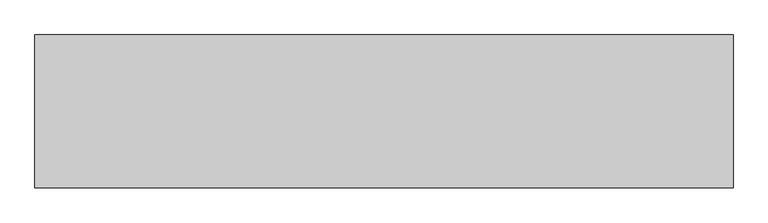
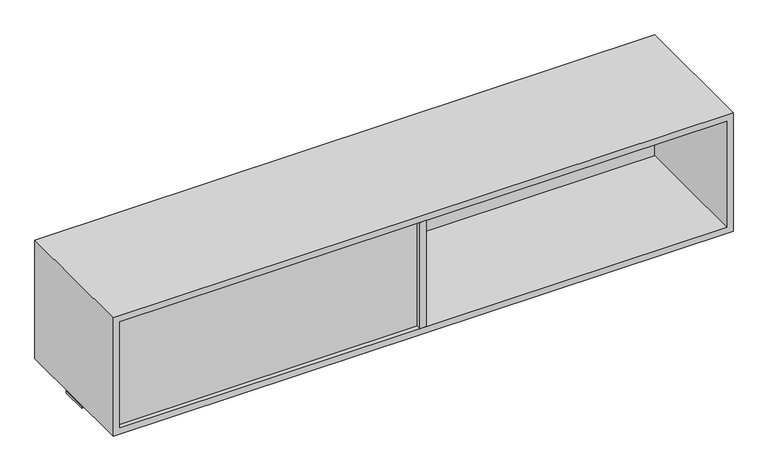
"""IFC4 building model written with IfcOpenShell, lengths in millimetres: furniture geometry."""

from ifc_helpers import new_model, si_unit, frame, origin, place, context, project, spatial, polyline, outline, extrude, source, transform, mapped, element, save


def furniture_f6a8623b(model_context):
    return source(origin(), model_context, "Body", "SweptSolid", [
        extrude(outline(polyline([(466.852, -241.2273724), (447.548, -241.2273724), (447.548, 158.8226276), (466.852, 158.8226276), (466.852, -241.2273724)])), frame((0.0, 0.0, 900.557), z_axis=(0.0, 0.0, 1.0), x_axis=(1.0, 0.0, 0.0)), (0.0, 0.0, 1.0), 330.5048),
        extrude(outline(polyline([(1371.6, -2.0863724), (1371.6, -80.3183724), (-457.2, -80.3183724), (-457.2, -2.0863724), (1371.6, -2.0863724)])), frame((0.0, 0.0, 870.966), z_axis=(0.0, 0.0, 1.0), x_axis=(1.0, 0.0, 0.0)), (0.0, 0.0, 1.0), 6.858),
        extrude(outline(polyline([(447.548, -208.5832924), (447.548, -227.8872924), (-437.896, -227.8872924), (-437.896, -208.5832924), (447.548, -208.5832924)])), frame((0.0, 0.0, 900.557), z_axis=(0.0, 0.0, 1.0), x_axis=(1.0, 0.0, 0.0)), (0.0, 0.0, 1.0), 330.5048),
        extrude(outline(polyline([(1352.296, 145.5282676), (1352.296, 126.2242676), (466.852, 126.2242676), (466.852, 145.5282676), (1352.296, 145.5282676)])), frame((0.0, 0.0, 900.557), z_axis=(0.0, 0.0, 1.0), x_axis=(1.0, 0.0, 0.0)), (0.0, 0.0, 1.0), 330.5048),
        extrude(outline(polyline([(1250.3658, -457.2), (881.253, -457.2), (881.253, 1371.6), (1250.3658, 1371.6), (1250.3658, -457.2)]), holes=[polyline([(1231.0618, -437.896), (1231.0618, 1352.296), (900.557, 1352.296), (900.557, -437.896), (1231.0618, -437.896)])]), frame((0.0, -241.2273724, 0.0), z_axis=(0.0, 1.0, 0.0), x_axis=(0.0, 0.0, 1.0)), (0.0, 0.0, 1.0), 400.05),
        extrude(outline(polyline([(466.852, -241.2273724), (447.548, -241.2273724), (447.548, 158.8226276), (466.852, 158.8226276), (466.852, -241.2273724)])), frame((0.0, 0.0, 900.557), z_axis=(0.0, 0.0, 1.0), x_axis=(1.0, 0.0, 0.0)), (0.0, 0.0, 1.0), 330.5048),
    ])


if __name__ == "__main__":
    model = new_model("IFC4")
    model_context = context("Model", 3, world=origin())
    ifc_project = project(units=[si_unit("LENGTHUNIT", "METRE", prefix="MILLI")], contexts=[model_context])
    site = spatial("IfcSite", under=ifc_project)
    building = spatial("IfcBuilding", under=site)
    placement = place(None, origin())
    furniture_shape = furniture_f6a8623b(model_context)
    element("IfcFurniture", 1, at=placement, inside=building, context=model_context, shape_type="MappedRepresentation", body=[
        mapped(furniture_shape, transform((0.0, 0.0, 0.0), x_axis=(1.0, 0.0, 0.0), y_axis=(0.0, 1.0, 0.0), z_axis=(0.0, 0.0, 1.0))),
    ])
    save(model, "model.ifc")
